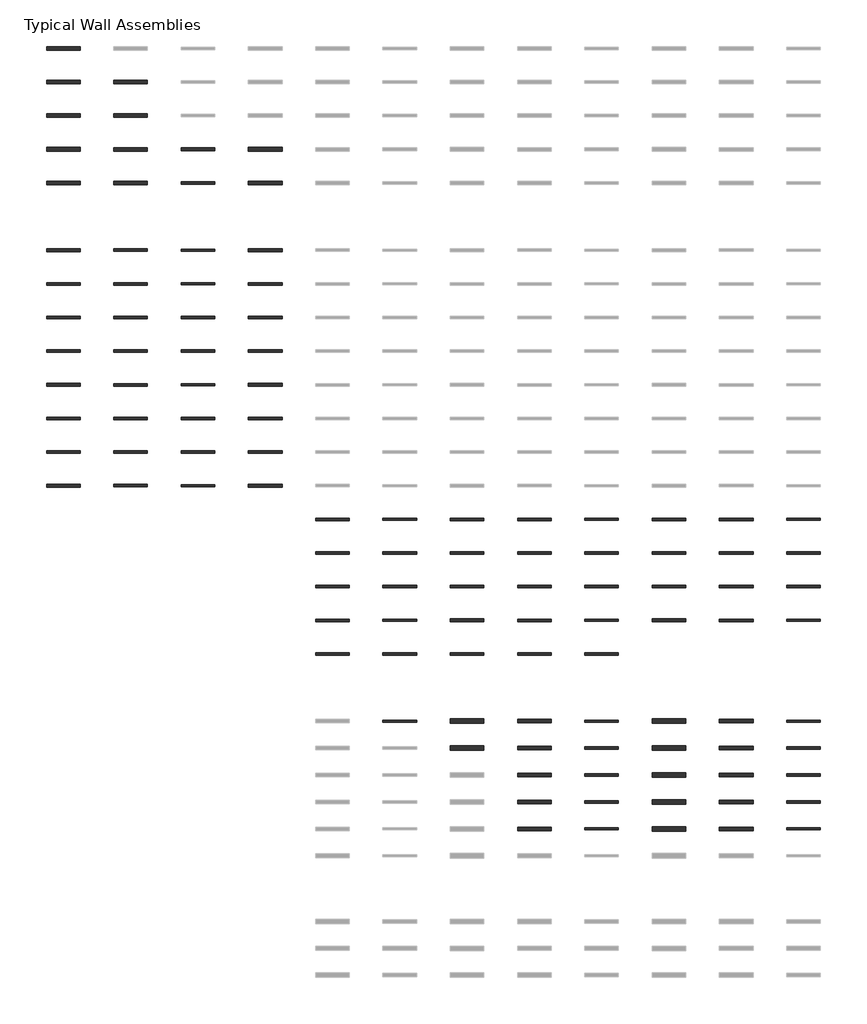
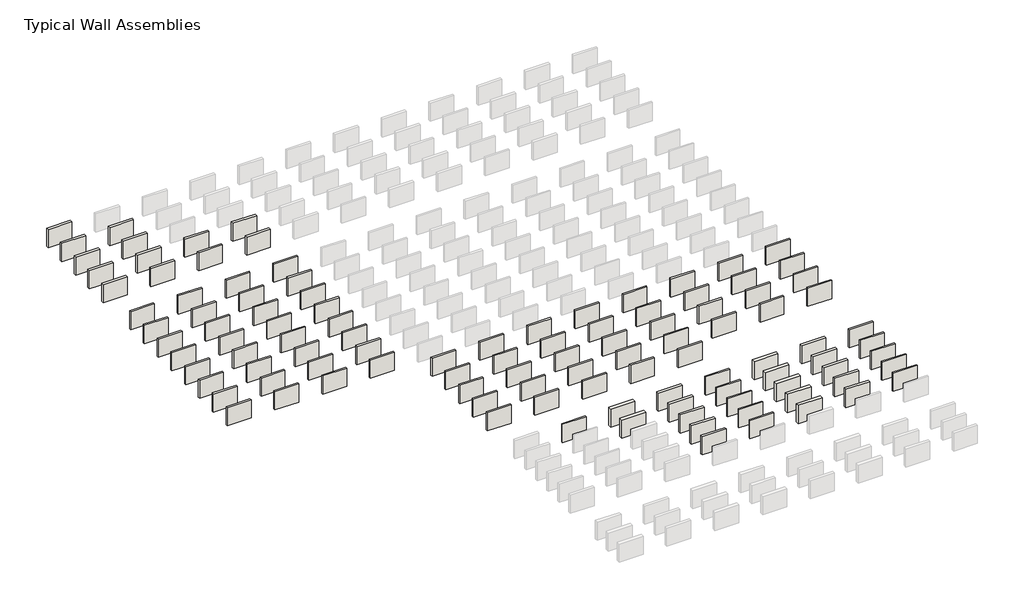
# One storey, part 7 of 8: 110 walls.
"""IFC4 building model written with IfcOpenShell, lengths in millimetres."""

from ifc_helpers import new_model, si_unit, frame, origin, place, context, project, spatial, polyline, outline, extrude, element, save

model = new_model("IFC4")

# Units and contexts
model_context = context("Model", 3, world=origin())
ifc_project = project(units=[si_unit("LENGTHUNIT", "METRE", prefix="MILLI")], contexts=[model_context])

# Site, building, storey
site = spatial("IfcSite", under=ifc_project)
building = spatial("IfcBuilding", under=site)
storey = spatial("IfcBuildingStorey", under=building, Name="Typical Wall Assemblies", Elevation=6096.0)

# Walls
placement = place(None, origin())
element("IfcWall", 1, at=placement, inside=storey, context=model_context, shape_type="SweptSolid", body=[
    extrude(outline(polyline([(-21027.125069, 40670.2782429), (-24075.125069, 40670.2782429), (-24075.125069, 40998.8907521), (-21027.125069, 40998.8907521), (-21027.125069, 40670.2782429)])), frame((0.0, 0.0, 6096.0), z_axis=(0.0, 0.0, 1.0), x_axis=(1.0, 0.0, 0.0)), (0.0, 0.0, 1.0), 2438.4),
])
element("IfcWall", 2, at=placement, inside=storey, context=model_context, shape_type="SweptSolid", body=[
    extrude(outline(polyline([(-21027.125069, 37622.2782429), (-24075.125069, 37622.2782429), (-24075.125069, 37950.8907521), (-21027.125069, 37950.8907521), (-21027.125069, 37622.2782429)])), frame((0.0, 0.0, 6096.0), z_axis=(0.0, 0.0, 1.0), x_axis=(1.0, 0.0, 0.0)), (0.0, 0.0, 1.0), 2438.4),
])
element("IfcWall", 3, at=placement, inside=storey, context=model_context, shape_type="SweptSolid", body=[
    extrude(outline(polyline([(-14931.125069, 37627.0407429), (-17979.125069, 37627.0407429), (-17979.125069, 37946.1282521), (-14931.125069, 37946.1282521), (-14931.125069, 37627.0407429)])), frame((0.0, 0.0, 6096.0), z_axis=(0.0, 0.0, 1.0), x_axis=(1.0, 0.0, 0.0)), (0.0, 0.0, 1.0), 2438.4),
])
element("IfcWall", 4, at=placement, inside=storey, context=model_context, shape_type="SweptSolid", body=[
    extrude(outline(polyline([(-21027.125069, 34574.2782429), (-24075.125069, 34574.2782429), (-24075.125069, 34902.8907521), (-21027.125069, 34902.8907521), (-21027.125069, 34574.2782429)])), frame((0.0, 0.0, 6096.0), z_axis=(0.0, 0.0, 1.0), x_axis=(1.0, 0.0, 0.0)), (0.0, 0.0, 1.0), 2438.4),
])
element("IfcWall", 5, at=placement, inside=storey, context=model_context, shape_type="SweptSolid", body=[
    extrude(outline(polyline([(-14931.125069, 34579.0407429), (-17979.125069, 34579.0407429), (-17979.125069, 34898.1282521), (-14931.125069, 34898.1282521), (-14931.125069, 34579.0407429)])), frame((0.0, 0.0, 6096.0), z_axis=(0.0, 0.0, 1.0), x_axis=(1.0, 0.0, 0.0)), (0.0, 0.0, 1.0), 2438.4),
])
element("IfcWall", 6, at=placement, inside=storey, context=model_context, shape_type="SweptSolid", body=[
    extrude(outline(polyline([(-21027.125069, 31526.2782429), (-24075.125069, 31526.2782429), (-24075.125069, 31854.8907521), (-21027.125069, 31854.8907521), (-21027.125069, 31526.2782429)])), frame((0.0, 0.0, 6096.0), z_axis=(0.0, 0.0, 1.0), x_axis=(1.0, 0.0, 0.0)), (0.0, 0.0, 1.0), 2438.4),
])
element("IfcWall", 7, at=placement, inside=storey, context=model_context, shape_type="SweptSolid", body=[
    extrude(outline(polyline([(-14931.125069, 31531.0407429), (-17979.125069, 31531.0407429), (-17979.125069, 31850.1282521), (-14931.125069, 31850.1282521), (-14931.125069, 31531.0407429)])), frame((0.0, 0.0, 6096.0), z_axis=(0.0, 0.0, 1.0), x_axis=(1.0, 0.0, 0.0)), (0.0, 0.0, 1.0), 2438.4),
])
element("IfcWall", 8, at=placement, inside=storey, context=model_context, shape_type="SweptSolid", body=[
    extrude(outline(polyline([(-8835.125069, 31569.9344947), (-11883.125069, 31569.9344947), (-11883.125069, 31811.2345002), (-8835.125069, 31811.2345002), (-8835.125069, 31569.9344947)])), frame((0.0, 0.0, 6096.0), z_axis=(0.0, 0.0, 1.0), x_axis=(1.0, 0.0, 0.0)), (0.0, 0.0, 1.0), 2438.4),
])
element("IfcWall", 9, at=placement, inside=storey, context=model_context, shape_type="SweptSolid", body=[
    extrude(outline(polyline([(-2739.125069, 31526.2782429), (-5787.125069, 31526.2782429), (-5787.125069, 31854.8907521), (-2739.125069, 31854.8907521), (-2739.125069, 31526.2782429)])), frame((0.0, 0.0, 6096.0), z_axis=(0.0, 0.0, 1.0), x_axis=(1.0, 0.0, 0.0)), (0.0, 0.0, 1.0), 2438.4),
])
element("IfcWall", 10, at=placement, inside=storey, context=model_context, shape_type="SweptSolid", body=[
    extrude(outline(polyline([(-21027.125069, 28478.2782429), (-24075.125069, 28478.2782429), (-24075.125069, 28806.8907521), (-21027.125069, 28806.8907521), (-21027.125069, 28478.2782429)])), frame((0.0, 0.0, 6096.0), z_axis=(0.0, 0.0, 1.0), x_axis=(1.0, 0.0, 0.0)), (0.0, 0.0, 1.0), 2438.4),
])
element("IfcWall", 11, at=placement, inside=storey, context=model_context, shape_type="SweptSolid", body=[
    extrude(outline(polyline([(-14931.125069, 28483.0407429), (-17979.125069, 28483.0407429), (-17979.125069, 28802.1282521), (-14931.125069, 28802.1282521), (-14931.125069, 28483.0407429)])), frame((0.0, 0.0, 6096.0), z_axis=(0.0, 0.0, 1.0), x_axis=(1.0, 0.0, 0.0)), (0.0, 0.0, 1.0), 2438.4),
])
element("IfcWall", 12, at=placement, inside=storey, context=model_context, shape_type="SweptSolid", body=[
    extrude(outline(polyline([(-8835.125069, 28521.9344947), (-11883.125069, 28521.9344947), (-11883.125069, 28763.2345002), (-8835.125069, 28763.2345002), (-8835.125069, 28521.9344947)])), frame((0.0, 0.0, 6096.0), z_axis=(0.0, 0.0, 1.0), x_axis=(1.0, 0.0, 0.0)), (0.0, 0.0, 1.0), 2438.4),
])
element("IfcWall", 13, at=placement, inside=storey, context=model_context, shape_type="SweptSolid", body=[
    extrude(outline(polyline([(-2739.125069, 28478.2782429), (-5787.125069, 28478.2782429), (-5787.125069, 28806.8907521), (-2739.125069, 28806.8907521), (-2739.125069, 28478.2782429)])), frame((0.0, 0.0, 6096.0), z_axis=(0.0, 0.0, 1.0), x_axis=(1.0, 0.0, 0.0)), (0.0, 0.0, 1.0), 2438.4),
])
element("IfcWall", 14, at=placement, inside=storey, context=model_context, shape_type="SweptSolid", body=[
    extrude(outline(polyline([(-21027.125069, 22428.3157439), (-24075.125069, 22428.3157439), (-24075.125069, 22664.853251), (-21027.125069, 22664.853251), (-21027.125069, 22428.3157439)])), frame((0.0, 0.0, 6096.0), z_axis=(0.0, 0.0, 1.0), x_axis=(1.0, 0.0, 0.0)), (0.0, 0.0, 1.0), 2438.4),
])
element("IfcWall", 15, at=placement, inside=storey, context=model_context, shape_type="SweptSolid", body=[
    extrude(outline(polyline([(-14931.125069, 22433.0782439), (-17979.125069, 22433.0782439), (-17979.125069, 22660.090751), (-14931.125069, 22660.090751), (-14931.125069, 22433.0782439)])), frame((0.0, 0.0, 6096.0), z_axis=(0.0, 0.0, 1.0), x_axis=(1.0, 0.0, 0.0)), (0.0, 0.0, 1.0), 2438.4),
])
element("IfcWall", 16, at=placement, inside=storey, context=model_context, shape_type="SweptSolid", body=[
    extrude(outline(polyline([(-8835.125069, 22443.396995), (-11883.125069, 22443.396995), (-11883.125069, 22649.772), (-8835.125069, 22649.772), (-8835.125069, 22443.396995)])), frame((0.0, 0.0, 6096.0), z_axis=(0.0, 0.0, 1.0), x_axis=(1.0, 0.0, 0.0)), (0.0, 0.0, 1.0), 2438.4),
])
element("IfcWall", 17, at=placement, inside=storey, context=model_context, shape_type="SweptSolid", body=[
    extrude(outline(polyline([(-2739.125069, 22428.3157439), (-5787.125069, 22428.3157439), (-5787.125069, 22664.853251), (-2739.125069, 22664.853251), (-2739.125069, 22428.3157439)])), frame((0.0, 0.0, 6096.0), z_axis=(0.0, 0.0, 1.0), x_axis=(1.0, 0.0, 0.0)), (0.0, 0.0, 1.0), 2438.4),
])
element("IfcWall", 18, at=placement, inside=storey, context=model_context, shape_type="SweptSolid", body=[
    extrude(outline(polyline([(-21027.125069, 19380.3157439), (-24075.125069, 19380.3157439), (-24075.125069, 19616.853251), (-21027.125069, 19616.853251), (-21027.125069, 19380.3157439)])), frame((0.0, 0.0, 6096.0), z_axis=(0.0, 0.0, 1.0), x_axis=(1.0, 0.0, 0.0)), (0.0, 0.0, 1.0), 2438.4),
])
element("IfcWall", 19, at=placement, inside=storey, context=model_context, shape_type="SweptSolid", body=[
    extrude(outline(polyline([(-14931.125069, 19385.0782439), (-17979.125069, 19385.0782439), (-17979.125069, 19612.090751), (-14931.125069, 19612.090751), (-14931.125069, 19385.0782439)])), frame((0.0, 0.0, 6096.0), z_axis=(0.0, 0.0, 1.0), x_axis=(1.0, 0.0, 0.0)), (0.0, 0.0, 1.0), 2438.4),
])
element("IfcWall", 20, at=placement, inside=storey, context=model_context, shape_type="SweptSolid", body=[
    extrude(outline(polyline([(-8835.125069, 19395.396995), (-11883.125069, 19395.396995), (-11883.125069, 19601.772), (-8835.125069, 19601.772), (-8835.125069, 19395.396995)])), frame((0.0, 0.0, 6096.0), z_axis=(0.0, 0.0, 1.0), x_axis=(1.0, 0.0, 0.0)), (0.0, 0.0, 1.0), 2438.4),
])
element("IfcWall", 21, at=placement, inside=storey, context=model_context, shape_type="SweptSolid", body=[
    extrude(outline(polyline([(-2739.125069, 19380.3157439), (-5787.125069, 19380.3157439), (-5787.125069, 19616.853251), (-2739.125069, 19616.853251), (-2739.125069, 19380.3157439)])), frame((0.0, 0.0, 6096.0), z_axis=(0.0, 0.0, 1.0), x_axis=(1.0, 0.0, 0.0)), (0.0, 0.0, 1.0), 2438.4),
])
element("IfcWall", 22, at=placement, inside=storey, context=model_context, shape_type="SweptSolid", body=[
    extrude(outline(polyline([(-21027.125069, 16332.3157439), (-24075.125069, 16332.3157439), (-24075.125069, 16568.853251), (-21027.125069, 16568.853251), (-21027.125069, 16332.3157439)])), frame((0.0, 0.0, 6096.0), z_axis=(0.0, 0.0, 1.0), x_axis=(1.0, 0.0, 0.0)), (0.0, 0.0, 1.0), 2438.4),
])
element("IfcWall", 23, at=placement, inside=storey, context=model_context, shape_type="SweptSolid", body=[
    extrude(outline(polyline([(-14931.125069, 16337.0782439), (-17979.125069, 16337.0782439), (-17979.125069, 16564.090751), (-14931.125069, 16564.090751), (-14931.125069, 16337.0782439)])), frame((0.0, 0.0, 6096.0), z_axis=(0.0, 0.0, 1.0), x_axis=(1.0, 0.0, 0.0)), (0.0, 0.0, 1.0), 2438.4),
])
element("IfcWall", 24, at=placement, inside=storey, context=model_context, shape_type="SweptSolid", body=[
    extrude(outline(polyline([(-8835.125069, 16347.396995), (-11883.125069, 16347.396995), (-11883.125069, 16553.772), (-8835.125069, 16553.772), (-8835.125069, 16347.396995)])), frame((0.0, 0.0, 6096.0), z_axis=(0.0, 0.0, 1.0), x_axis=(1.0, 0.0, 0.0)), (0.0, 0.0, 1.0), 2438.4),
])
element("IfcWall", 25, at=placement, inside=storey, context=model_context, shape_type="SweptSolid", body=[
    extrude(outline(polyline([(-2739.125069, 16332.3157439), (-5787.125069, 16332.3157439), (-5787.125069, 16568.853251), (-2739.125069, 16568.853251), (-2739.125069, 16332.3157439)])), frame((0.0, 0.0, 6096.0), z_axis=(0.0, 0.0, 1.0), x_axis=(1.0, 0.0, 0.0)), (0.0, 0.0, 1.0), 2438.4),
])
element("IfcWall", 26, at=placement, inside=storey, context=model_context, shape_type="SweptSolid", body=[
    extrude(outline(polyline([(-21027.125069, 13284.3157439), (-24075.125069, 13284.3157439), (-24075.125069, 13520.853251), (-21027.125069, 13520.853251), (-21027.125069, 13284.3157439)])), frame((0.0, 0.0, 6096.0), z_axis=(0.0, 0.0, 1.0), x_axis=(1.0, 0.0, 0.0)), (0.0, 0.0, 1.0), 2438.4),
])
element("IfcWall", 27, at=placement, inside=storey, context=model_context, shape_type="SweptSolid", body=[
    extrude(outline(polyline([(-14931.125069, 13289.0782439), (-17979.125069, 13289.0782439), (-17979.125069, 13516.090751), (-14931.125069, 13516.090751), (-14931.125069, 13289.0782439)])), frame((0.0, 0.0, 6096.0), z_axis=(0.0, 0.0, 1.0), x_axis=(1.0, 0.0, 0.0)), (0.0, 0.0, 1.0), 2438.4),
])
element("IfcWall", 28, at=placement, inside=storey, context=model_context, shape_type="SweptSolid", body=[
    extrude(outline(polyline([(-8835.125069, 13299.396995), (-11883.125069, 13299.396995), (-11883.125069, 13505.772), (-8835.125069, 13505.772), (-8835.125069, 13299.396995)])), frame((0.0, 0.0, 6096.0), z_axis=(0.0, 0.0, 1.0), x_axis=(1.0, 0.0, 0.0)), (0.0, 0.0, 1.0), 2438.4),
])
element("IfcWall", 29, at=placement, inside=storey, context=model_context, shape_type="SweptSolid", body=[
    extrude(outline(polyline([(-2739.125069, 13284.3157439), (-5787.125069, 13284.3157439), (-5787.125069, 13520.853251), (-2739.125069, 13520.853251), (-2739.125069, 13284.3157439)])), frame((0.0, 0.0, 6096.0), z_axis=(0.0, 0.0, 1.0), x_axis=(1.0, 0.0, 0.0)), (0.0, 0.0, 1.0), 2438.4),
])
element("IfcWall", 30, at=placement, inside=storey, context=model_context, shape_type="SweptSolid", body=[
    extrude(outline(polyline([(-21027.125069, 10236.3157439), (-24075.125069, 10236.3157439), (-24075.125069, 10472.853251), (-21027.125069, 10472.853251), (-21027.125069, 10236.3157439)])), frame((0.0, 0.0, 6096.0), z_axis=(0.0, 0.0, 1.0), x_axis=(1.0, 0.0, 0.0)), (0.0, 0.0, 1.0), 2438.4),
])
element("IfcWall", 31, at=placement, inside=storey, context=model_context, shape_type="SweptSolid", body=[
    extrude(outline(polyline([(-14931.125069, 10241.0782439), (-17979.125069, 10241.0782439), (-17979.125069, 10468.090751), (-14931.125069, 10468.090751), (-14931.125069, 10241.0782439)])), frame((0.0, 0.0, 6096.0), z_axis=(0.0, 0.0, 1.0), x_axis=(1.0, 0.0, 0.0)), (0.0, 0.0, 1.0), 2438.4),
])
element("IfcWall", 32, at=placement, inside=storey, context=model_context, shape_type="SweptSolid", body=[
    extrude(outline(polyline([(-8835.125069, 10251.396995), (-11883.125069, 10251.396995), (-11883.125069, 10457.772), (-8835.125069, 10457.772), (-8835.125069, 10251.396995)])), frame((0.0, 0.0, 6096.0), z_axis=(0.0, 0.0, 1.0), x_axis=(1.0, 0.0, 0.0)), (0.0, 0.0, 1.0), 2438.4),
])
element("IfcWall", 33, at=placement, inside=storey, context=model_context, shape_type="SweptSolid", body=[
    extrude(outline(polyline([(-2739.125069, 10236.3157439), (-5787.125069, 10236.3157439), (-5787.125069, 10472.853251), (-2739.125069, 10472.853251), (-2739.125069, 10236.3157439)])), frame((0.0, 0.0, 6096.0), z_axis=(0.0, 0.0, 1.0), x_axis=(1.0, 0.0, 0.0)), (0.0, 0.0, 1.0), 2438.4),
])
element("IfcWall", 34, at=placement, inside=storey, context=model_context, shape_type="SweptSolid", body=[
    extrude(outline(polyline([(-21027.125069, 7188.3157439), (-24075.125069, 7188.3157439), (-24075.125069, 7424.853251), (-21027.125069, 7424.853251), (-21027.125069, 7188.3157439)])), frame((0.0, 0.0, 6096.0), z_axis=(0.0, 0.0, 1.0), x_axis=(1.0, 0.0, 0.0)), (0.0, 0.0, 1.0), 2438.4),
])
element("IfcWall", 35, at=placement, inside=storey, context=model_context, shape_type="SweptSolid", body=[
    extrude(outline(polyline([(-14931.125069, 7193.0782439), (-17979.125069, 7193.0782439), (-17979.125069, 7420.090751), (-14931.125069, 7420.090751), (-14931.125069, 7193.0782439)])), frame((0.0, 0.0, 6096.0), z_axis=(0.0, 0.0, 1.0), x_axis=(1.0, 0.0, 0.0)), (0.0, 0.0, 1.0), 2438.4),
])
element("IfcWall", 36, at=placement, inside=storey, context=model_context, shape_type="SweptSolid", body=[
    extrude(outline(polyline([(-8835.125069, 7203.396995), (-11883.125069, 7203.396995), (-11883.125069, 7409.772), (-8835.125069, 7409.772), (-8835.125069, 7203.396995)])), frame((0.0, 0.0, 6096.0), z_axis=(0.0, 0.0, 1.0), x_axis=(1.0, 0.0, 0.0)), (0.0, 0.0, 1.0), 2438.4),
])
element("IfcWall", 37, at=placement, inside=storey, context=model_context, shape_type="SweptSolid", body=[
    extrude(outline(polyline([(-2739.125069, 7188.3157439), (-5787.125069, 7188.3157439), (-5787.125069, 7424.853251), (-2739.125069, 7424.853251), (-2739.125069, 7188.3157439)])), frame((0.0, 0.0, 6096.0), z_axis=(0.0, 0.0, 1.0), x_axis=(1.0, 0.0, 0.0)), (0.0, 0.0, 1.0), 2438.4),
])
element("IfcWall", 38, at=placement, inside=storey, context=model_context, shape_type="SweptSolid", body=[
    extrude(outline(polyline([(-21027.125069, 4140.3157439), (-24075.125069, 4140.3157439), (-24075.125069, 4376.853251), (-21027.125069, 4376.853251), (-21027.125069, 4140.3157439)])), frame((0.0, 0.0, 6096.0), z_axis=(0.0, 0.0, 1.0), x_axis=(1.0, 0.0, 0.0)), (0.0, 0.0, 1.0), 2438.4),
])
element("IfcWall", 39, at=placement, inside=storey, context=model_context, shape_type="SweptSolid", body=[
    extrude(outline(polyline([(-14931.125069, 4145.0782439), (-17979.125069, 4145.0782439), (-17979.125069, 4372.090751), (-14931.125069, 4372.090751), (-14931.125069, 4145.0782439)])), frame((0.0, 0.0, 6096.0), z_axis=(0.0, 0.0, 1.0), x_axis=(1.0, 0.0, 0.0)), (0.0, 0.0, 1.0), 2438.4),
])
element("IfcWall", 40, at=placement, inside=storey, context=model_context, shape_type="SweptSolid", body=[
    extrude(outline(polyline([(-8835.125069, 4155.396995), (-11883.125069, 4155.396995), (-11883.125069, 4361.772), (-8835.125069, 4361.772), (-8835.125069, 4155.396995)])), frame((0.0, 0.0, 6096.0), z_axis=(0.0, 0.0, 1.0), x_axis=(1.0, 0.0, 0.0)), (0.0, 0.0, 1.0), 2438.4),
])
element("IfcWall", 41, at=placement, inside=storey, context=model_context, shape_type="SweptSolid", body=[
    extrude(outline(polyline([(-2739.125069, 4140.3157439), (-5787.125069, 4140.3157439), (-5787.125069, 4376.853251), (-2739.125069, 4376.853251), (-2739.125069, 4140.3157439)])), frame((0.0, 0.0, 6096.0), z_axis=(0.0, 0.0, 1.0), x_axis=(1.0, 0.0, 0.0)), (0.0, 0.0, 1.0), 2438.4),
])
element("IfcWall", 42, at=placement, inside=storey, context=model_context, shape_type="SweptSolid", body=[
    extrude(outline(polyline([(-21027.125069, 1092.3157439), (-24075.125069, 1092.3157439), (-24075.125069, 1328.853251), (-21027.125069, 1328.853251), (-21027.125069, 1092.3157439)])), frame((0.0, 0.0, 6096.0), z_axis=(0.0, 0.0, 1.0), x_axis=(1.0, 0.0, 0.0)), (0.0, 0.0, 1.0), 2438.4),
])
element("IfcWall", 43, at=placement, inside=storey, context=model_context, shape_type="SweptSolid", body=[
    extrude(outline(polyline([(-14931.125069, 1097.0782439), (-17979.125069, 1097.0782439), (-17979.125069, 1324.090751), (-14931.125069, 1324.090751), (-14931.125069, 1097.0782439)])), frame((0.0, 0.0, 6096.0), z_axis=(0.0, 0.0, 1.0), x_axis=(1.0, 0.0, 0.0)), (0.0, 0.0, 1.0), 2438.4),
])
element("IfcWall", 44, at=placement, inside=storey, context=model_context, shape_type="SweptSolid", body=[
    extrude(outline(polyline([(-8835.125069, 1107.396995), (-11883.125069, 1107.396995), (-11883.125069, 1313.772), (-8835.125069, 1313.772), (-8835.125069, 1107.396995)])), frame((0.0, 0.0, 6096.0), z_axis=(0.0, 0.0, 1.0), x_axis=(1.0, 0.0, 0.0)), (0.0, 0.0, 1.0), 2438.4),
])
element("IfcWall", 45, at=placement, inside=storey, context=model_context, shape_type="SweptSolid", body=[
    extrude(outline(polyline([(-2739.125069, 1092.3157439), (-5787.125069, 1092.3157439), (-5787.125069, 1328.853251), (-2739.125069, 1328.853251), (-2739.125069, 1092.3157439)])), frame((0.0, 0.0, 6096.0), z_axis=(0.0, 0.0, 1.0), x_axis=(1.0, 0.0, 0.0)), (0.0, 0.0, 1.0), 2438.4),
])
element("IfcWall", 46, at=placement, inside=storey, context=model_context, shape_type="SweptSolid", body=[
    extrude(outline(polyline([(3356.874931, -1950.9217561), (308.874931, -1950.9217561), (308.874931, -1723.909249), (3356.874931, -1723.909249), (3356.874931, -1950.9217561)])), frame((0.0, 0.0, 6096.0), z_axis=(0.0, 0.0, 1.0), x_axis=(1.0, 0.0, 0.0)), (0.0, 0.0, 1.0), 2438.4),
])
element("IfcWall", 47, at=placement, inside=storey, context=model_context, shape_type="SweptSolid", body=[
    extrude(outline(polyline([(9452.874931, -1940.603005), (6404.874931, -1940.603005), (6404.874931, -1734.228), (9452.874931, -1734.228), (9452.874931, -1940.603005)])), frame((0.0, 0.0, 6096.0), z_axis=(0.0, 0.0, 1.0), x_axis=(1.0, 0.0, 0.0)), (0.0, 0.0, 1.0), 2438.4),
])
element("IfcWall", 48, at=placement, inside=storey, context=model_context, shape_type="SweptSolid", body=[
    extrude(outline(polyline([(15548.874931, -1955.6842561), (12500.874931, -1955.6842561), (12500.874931, -1719.146749), (15548.874931, -1719.146749), (15548.874931, -1955.6842561)])), frame((0.0, 0.0, 6096.0), z_axis=(0.0, 0.0, 1.0), x_axis=(1.0, 0.0, 0.0)), (0.0, 0.0, 1.0), 2438.4),
])
element("IfcWall", 49, at=placement, inside=storey, context=model_context, shape_type="SweptSolid", body=[
    extrude(outline(polyline([(21644.874931, -1950.9217561), (18596.874931, -1950.9217561), (18596.874931, -1723.909249), (21644.874931, -1723.909249), (21644.874931, -1950.9217561)])), frame((0.0, 0.0, 6096.0), z_axis=(0.0, 0.0, 1.0), x_axis=(1.0, 0.0, 0.0)), (0.0, 0.0, 1.0), 2438.4),
])
element("IfcWall", 50, at=placement, inside=storey, context=model_context, shape_type="SweptSolid", body=[
    extrude(outline(polyline([(27740.874931, -1940.603005), (24692.874931, -1940.603005), (24692.874931, -1734.228), (27740.874931, -1734.228), (27740.874931, -1940.603005)])), frame((0.0, 0.0, 6096.0), z_axis=(0.0, 0.0, 1.0), x_axis=(1.0, 0.0, 0.0)), (0.0, 0.0, 1.0), 2438.4),
])
element("IfcWall", 51, at=placement, inside=storey, context=model_context, shape_type="SweptSolid", body=[
    extrude(outline(polyline([(33836.874931, -1955.6842561), (30788.874931, -1955.6842561), (30788.874931, -1719.146749), (33836.874931, -1719.146749), (33836.874931, -1955.6842561)])), frame((0.0, 0.0, 6096.0), z_axis=(0.0, 0.0, 1.0), x_axis=(1.0, 0.0, 0.0)), (0.0, 0.0, 1.0), 2438.4),
])
element("IfcWall", 52, at=placement, inside=storey, context=model_context, shape_type="SweptSolid", body=[
    extrude(outline(polyline([(39932.874931, -1950.9217561), (36884.874931, -1950.9217561), (36884.874931, -1723.909249), (39932.874931, -1723.909249), (39932.874931, -1950.9217561)])), frame((0.0, 0.0, 6096.0), z_axis=(0.0, 0.0, 1.0), x_axis=(1.0, 0.0, 0.0)), (0.0, 0.0, 1.0), 2438.4),
])
element("IfcWall", 53, at=placement, inside=storey, context=model_context, shape_type="SweptSolid", body=[
    extrude(outline(polyline([(46028.874931, -1940.603005), (42980.874931, -1940.603005), (42980.874931, -1734.228), (46028.874931, -1734.228), (46028.874931, -1940.603005)])), frame((0.0, 0.0, 6096.0), z_axis=(0.0, 0.0, 1.0), x_axis=(1.0, 0.0, 0.0)), (0.0, 0.0, 1.0), 2438.4),
])
element("IfcWall", 54, at=placement, inside=storey, context=model_context, shape_type="SweptSolid", body=[
    extrude(outline(polyline([(3356.874931, -4998.9217561), (308.874931, -4998.9217561), (308.874931, -4771.909249), (3356.874931, -4771.909249), (3356.874931, -4998.9217561)])), frame((0.0, 0.0, 6096.0), z_axis=(0.0, 0.0, 1.0), x_axis=(1.0, 0.0, 0.0)), (0.0, 0.0, 1.0), 2438.4),
])
element("IfcWall", 55, at=placement, inside=storey, context=model_context, shape_type="SweptSolid", body=[
    extrude(outline(polyline([(9452.874931, -4988.603005), (6404.874931, -4988.603005), (6404.874931, -4782.228), (9452.874931, -4782.228), (9452.874931, -4988.603005)])), frame((0.0, 0.0, 6096.0), z_axis=(0.0, 0.0, 1.0), x_axis=(1.0, 0.0, 0.0)), (0.0, 0.0, 1.0), 2438.4),
])
element("IfcWall", 56, at=placement, inside=storey, context=model_context, shape_type="SweptSolid", body=[
    extrude(outline(polyline([(15548.874931, -5003.6842561), (12500.874931, -5003.6842561), (12500.874931, -4767.146749), (15548.874931, -4767.146749), (15548.874931, -5003.6842561)])), frame((0.0, 0.0, 6096.0), z_axis=(0.0, 0.0, 1.0), x_axis=(1.0, 0.0, 0.0)), (0.0, 0.0, 1.0), 2438.4),
])
element("IfcWall", 57, at=placement, inside=storey, context=model_context, shape_type="SweptSolid", body=[
    extrude(outline(polyline([(21644.874931, -4998.9217561), (18596.874931, -4998.9217561), (18596.874931, -4771.909249), (21644.874931, -4771.909249), (21644.874931, -4998.9217561)])), frame((0.0, 0.0, 6096.0), z_axis=(0.0, 0.0, 1.0), x_axis=(1.0, 0.0, 0.0)), (0.0, 0.0, 1.0), 2438.4),
])
element("IfcWall", 58, at=placement, inside=storey, context=model_context, shape_type="SweptSolid", body=[
    extrude(outline(polyline([(27740.874931, -4988.603005), (24692.874931, -4988.603005), (24692.874931, -4782.228), (27740.874931, -4782.228), (27740.874931, -4988.603005)])), frame((0.0, 0.0, 6096.0), z_axis=(0.0, 0.0, 1.0), x_axis=(1.0, 0.0, 0.0)), (0.0, 0.0, 1.0), 2438.4),
])
element("IfcWall", 59, at=placement, inside=storey, context=model_context, shape_type="SweptSolid", body=[
    extrude(outline(polyline([(33836.874931, -5003.6842561), (30788.874931, -5003.6842561), (30788.874931, -4767.146749), (33836.874931, -4767.146749), (33836.874931, -5003.6842561)])), frame((0.0, 0.0, 6096.0), z_axis=(0.0, 0.0, 1.0), x_axis=(1.0, 0.0, 0.0)), (0.0, 0.0, 1.0), 2438.4),
])
element("IfcWall", 60, at=placement, inside=storey, context=model_context, shape_type="SweptSolid", body=[
    extrude(outline(polyline([(39932.874931, -4998.9217561), (36884.874931, -4998.9217561), (36884.874931, -4771.909249), (39932.874931, -4771.909249), (39932.874931, -4998.9217561)])), frame((0.0, 0.0, 6096.0), z_axis=(0.0, 0.0, 1.0), x_axis=(1.0, 0.0, 0.0)), (0.0, 0.0, 1.0), 2438.4),
])
element("IfcWall", 61, at=placement, inside=storey, context=model_context, shape_type="SweptSolid", body=[
    extrude(outline(polyline([(46028.874931, -4988.603005), (42980.874931, -4988.603005), (42980.874931, -4782.228), (46028.874931, -4782.228), (46028.874931, -4988.603005)])), frame((0.0, 0.0, 6096.0), z_axis=(0.0, 0.0, 1.0), x_axis=(1.0, 0.0, 0.0)), (0.0, 0.0, 1.0), 2438.4),
])
element("IfcWall", 62, at=placement, inside=storey, context=model_context, shape_type="SweptSolid", body=[
    extrude(outline(polyline([(3356.874931, -8046.9217561), (308.874931, -8046.9217561), (308.874931, -7819.909249), (3356.874931, -7819.909249), (3356.874931, -8046.9217561)])), frame((0.0, 0.0, 6096.0), z_axis=(0.0, 0.0, 1.0), x_axis=(1.0, 0.0, 0.0)), (0.0, 0.0, 1.0), 2438.4),
])
element("IfcWall", 63, at=placement, inside=storey, context=model_context, shape_type="SweptSolid", body=[
    extrude(outline(polyline([(9452.874931, -8036.603005), (6404.874931, -8036.603005), (6404.874931, -7830.228), (9452.874931, -7830.228), (9452.874931, -8036.603005)])), frame((0.0, 0.0, 6096.0), z_axis=(0.0, 0.0, 1.0), x_axis=(1.0, 0.0, 0.0)), (0.0, 0.0, 1.0), 2438.4),
])
element("IfcWall", 64, at=placement, inside=storey, context=model_context, shape_type="SweptSolid", body=[
    extrude(outline(polyline([(15548.874931, -8051.6842561), (12500.874931, -8051.6842561), (12500.874931, -7815.146749), (15548.874931, -7815.146749), (15548.874931, -8051.6842561)])), frame((0.0, 0.0, 6096.0), z_axis=(0.0, 0.0, 1.0), x_axis=(1.0, 0.0, 0.0)), (0.0, 0.0, 1.0), 2438.4),
])
element("IfcWall", 65, at=placement, inside=storey, context=model_context, shape_type="SweptSolid", body=[
    extrude(outline(polyline([(21644.874931, -8046.9217561), (18596.874931, -8046.9217561), (18596.874931, -7819.909249), (21644.874931, -7819.909249), (21644.874931, -8046.9217561)])), frame((0.0, 0.0, 6096.0), z_axis=(0.0, 0.0, 1.0), x_axis=(1.0, 0.0, 0.0)), (0.0, 0.0, 1.0), 2438.4),
])
element("IfcWall", 66, at=placement, inside=storey, context=model_context, shape_type="SweptSolid", body=[
    extrude(outline(polyline([(27740.874931, -8036.603005), (24692.874931, -8036.603005), (24692.874931, -7830.228), (27740.874931, -7830.228), (27740.874931, -8036.603005)])), frame((0.0, 0.0, 6096.0), z_axis=(0.0, 0.0, 1.0), x_axis=(1.0, 0.0, 0.0)), (0.0, 0.0, 1.0), 2438.4),
])
element("IfcWall", 67, at=placement, inside=storey, context=model_context, shape_type="SweptSolid", body=[
    extrude(outline(polyline([(33836.874931, -8051.6842561), (30788.874931, -8051.6842561), (30788.874931, -7815.146749), (33836.874931, -7815.146749), (33836.874931, -8051.6842561)])), frame((0.0, 0.0, 6096.0), z_axis=(0.0, 0.0, 1.0), x_axis=(1.0, 0.0, 0.0)), (0.0, 0.0, 1.0), 2438.4),
])
element("IfcWall", 68, at=placement, inside=storey, context=model_context, shape_type="SweptSolid", body=[
    extrude(outline(polyline([(39932.874931, -8046.9217561), (36884.874931, -8046.9217561), (36884.874931, -7819.909249), (39932.874931, -7819.909249), (39932.874931, -8046.9217561)])), frame((0.0, 0.0, 6096.0), z_axis=(0.0, 0.0, 1.0), x_axis=(1.0, 0.0, 0.0)), (0.0, 0.0, 1.0), 2438.4),
])
element("IfcWall", 69, at=placement, inside=storey, context=model_context, shape_type="SweptSolid", body=[
    extrude(outline(polyline([(46028.874931, -8036.603005), (42980.874931, -8036.603005), (42980.874931, -7830.228), (46028.874931, -7830.228), (46028.874931, -8036.603005)])), frame((0.0, 0.0, 6096.0), z_axis=(0.0, 0.0, 1.0), x_axis=(1.0, 0.0, 0.0)), (0.0, 0.0, 1.0), 2438.4),
])
element("IfcWall", 70, at=placement, inside=storey, context=model_context, shape_type="SweptSolid", body=[
    extrude(outline(polyline([(3356.874931, -11094.9217561), (308.874931, -11094.9217561), (308.874931, -10867.909249), (3356.874931, -10867.909249), (3356.874931, -11094.9217561)])), frame((0.0, 0.0, 6096.0), z_axis=(0.0, 0.0, 1.0), x_axis=(1.0, 0.0, 0.0)), (0.0, 0.0, 1.0), 2438.4),
])
element("IfcWall", 71, at=placement, inside=storey, context=model_context, shape_type="SweptSolid", body=[
    extrude(outline(polyline([(9452.874931, -11084.603005), (6404.874931, -11084.603005), (6404.874931, -10878.228), (9452.874931, -10878.228), (9452.874931, -11084.603005)])), frame((0.0, 0.0, 6096.0), z_axis=(0.0, 0.0, 1.0), x_axis=(1.0, 0.0, 0.0)), (0.0, 0.0, 1.0), 2438.4),
])
element("IfcWall", 72, at=placement, inside=storey, context=model_context, shape_type="SweptSolid", body=[
    extrude(outline(polyline([(15548.874931, -11099.6842561), (12500.874931, -11099.6842561), (12500.874931, -10863.146749), (15548.874931, -10863.146749), (15548.874931, -11099.6842561)])), frame((0.0, 0.0, 6096.0), z_axis=(0.0, 0.0, 1.0), x_axis=(1.0, 0.0, 0.0)), (0.0, 0.0, 1.0), 2438.4),
])
element("IfcWall", 73, at=placement, inside=storey, context=model_context, shape_type="SweptSolid", body=[
    extrude(outline(polyline([(21644.874931, -11094.9217561), (18596.874931, -11094.9217561), (18596.874931, -10867.909249), (21644.874931, -10867.909249), (21644.874931, -11094.9217561)])), frame((0.0, 0.0, 6096.0), z_axis=(0.0, 0.0, 1.0), x_axis=(1.0, 0.0, 0.0)), (0.0, 0.0, 1.0), 2438.4),
])
element("IfcWall", 74, at=placement, inside=storey, context=model_context, shape_type="SweptSolid", body=[
    extrude(outline(polyline([(27740.874931, -11084.603005), (24692.874931, -11084.603005), (24692.874931, -10878.228), (27740.874931, -10878.228), (27740.874931, -11084.603005)])), frame((0.0, 0.0, 6096.0), z_axis=(0.0, 0.0, 1.0), x_axis=(1.0, 0.0, 0.0)), (0.0, 0.0, 1.0), 2438.4),
])
element("IfcWall", 75, at=placement, inside=storey, context=model_context, shape_type="SweptSolid", body=[
    extrude(outline(polyline([(33836.874931, -11099.6842561), (30788.874931, -11099.6842561), (30788.874931, -10863.146749), (33836.874931, -10863.146749), (33836.874931, -11099.6842561)])), frame((0.0, 0.0, 6096.0), z_axis=(0.0, 0.0, 1.0), x_axis=(1.0, 0.0, 0.0)), (0.0, 0.0, 1.0), 2438.4),
])
element("IfcWall", 76, at=placement, inside=storey, context=model_context, shape_type="SweptSolid", body=[
    extrude(outline(polyline([(39932.874931, -11094.9217561), (36884.874931, -11094.9217561), (36884.874931, -10867.909249), (39932.874931, -10867.909249), (39932.874931, -11094.9217561)])), frame((0.0, 0.0, 6096.0), z_axis=(0.0, 0.0, 1.0), x_axis=(1.0, 0.0, 0.0)), (0.0, 0.0, 1.0), 2438.4),
])
element("IfcWall", 77, at=placement, inside=storey, context=model_context, shape_type="SweptSolid", body=[
    extrude(outline(polyline([(46028.874931, -11084.603005), (42980.874931, -11084.603005), (42980.874931, -10878.228), (46028.874931, -10878.228), (46028.874931, -11084.603005)])), frame((0.0, 0.0, 6096.0), z_axis=(0.0, 0.0, 1.0), x_axis=(1.0, 0.0, 0.0)), (0.0, 0.0, 1.0), 2438.4),
])
element("IfcWall", 78, at=placement, inside=storey, context=model_context, shape_type="SweptSolid", body=[
    extrude(outline(polyline([(3356.874931, -14142.9217561), (308.874931, -14142.9217561), (308.874931, -13915.909249), (3356.874931, -13915.909249), (3356.874931, -14142.9217561)])), frame((0.0, 0.0, 6096.0), z_axis=(0.0, 0.0, 1.0), x_axis=(1.0, 0.0, 0.0)), (0.0, 0.0, 1.0), 2438.4),
])
element("IfcWall", 79, at=placement, inside=storey, context=model_context, shape_type="SweptSolid", body=[
    extrude(outline(polyline([(9452.874931, -14132.603005), (6404.874931, -14132.603005), (6404.874931, -13926.228), (9452.874931, -13926.228), (9452.874931, -14132.603005)])), frame((0.0, 0.0, 6096.0), z_axis=(0.0, 0.0, 1.0), x_axis=(1.0, 0.0, 0.0)), (0.0, 0.0, 1.0), 2438.4),
])
element("IfcWall", 80, at=placement, inside=storey, context=model_context, shape_type="SweptSolid", body=[
    extrude(outline(polyline([(15548.874931, -14147.6842561), (12500.874931, -14147.6842561), (12500.874931, -13911.146749), (15548.874931, -13911.146749), (15548.874931, -14147.6842561)])), frame((0.0, 0.0, 6096.0), z_axis=(0.0, 0.0, 1.0), x_axis=(1.0, 0.0, 0.0)), (0.0, 0.0, 1.0), 2438.4),
])
element("IfcWall", 81, at=placement, inside=storey, context=model_context, shape_type="SweptSolid", body=[
    extrude(outline(polyline([(21644.874931, -14142.9217561), (18596.874931, -14142.9217561), (18596.874931, -13915.909249), (21644.874931, -13915.909249), (21644.874931, -14142.9217561)])), frame((0.0, 0.0, 6096.0), z_axis=(0.0, 0.0, 1.0), x_axis=(1.0, 0.0, 0.0)), (0.0, 0.0, 1.0), 2438.4),
])
element("IfcWall", 82, at=placement, inside=storey, context=model_context, shape_type="SweptSolid", body=[
    extrude(outline(polyline([(27740.874931, -14132.603005), (24692.874931, -14132.603005), (24692.874931, -13926.228), (27740.874931, -13926.228), (27740.874931, -14132.603005)])), frame((0.0, 0.0, 6096.0), z_axis=(0.0, 0.0, 1.0), x_axis=(1.0, 0.0, 0.0)), (0.0, 0.0, 1.0), 2438.4),
])
element("IfcWall", 83, at=placement, inside=storey, context=model_context, shape_type="SweptSolid", body=[
    extrude(outline(polyline([(9452.874931, -20227.0155056), (6404.874931, -20227.0155056), (6404.874931, -20023.8154995), (9452.874931, -20023.8154995), (9452.874931, -20227.0155056)])), frame((0.0, 0.0, 6096.0), z_axis=(0.0, 0.0, 1.0), x_axis=(1.0, 0.0, 0.0)), (0.0, 0.0, 1.0), 2438.4),
])
element("IfcWall", 84, at=placement, inside=storey, context=model_context, shape_type="SweptSolid", body=[
    extrude(outline(polyline([(15548.874931, -20330.9967587), (12500.874931, -20330.9967587), (12500.874931, -19919.8342464), (15548.874931, -19919.8342464), (15548.874931, -20330.9967587)])), frame((0.0, 0.0, 6096.0), z_axis=(0.0, 0.0, 1.0), x_axis=(1.0, 0.0, 0.0)), (0.0, 0.0, 1.0), 2438.4),
])
element("IfcWall", 85, at=placement, inside=storey, context=model_context, shape_type="SweptSolid", body=[
    extrude(outline(polyline([(21644.874931, -20287.3405068), (18596.874931, -20287.3405068), (18596.874931, -19963.4904983), (21644.874931, -19963.4904983), (21644.874931, -20287.3405068)])), frame((0.0, 0.0, 6096.0), z_axis=(0.0, 0.0, 1.0), x_axis=(1.0, 0.0, 0.0)), (0.0, 0.0, 1.0), 2438.4),
])
element("IfcWall", 86, at=placement, inside=storey, context=model_context, shape_type="SweptSolid", body=[
    extrude(outline(polyline([(27740.874931, -20227.0155056), (24692.874931, -20227.0155056), (24692.874931, -20023.8154995), (27740.874931, -20023.8154995), (27740.874931, -20227.0155056)])), frame((0.0, 0.0, 6096.0), z_axis=(0.0, 0.0, 1.0), x_axis=(1.0, 0.0, 0.0)), (0.0, 0.0, 1.0), 2438.4),
])
element("IfcWall", 87, at=placement, inside=storey, context=model_context, shape_type="SweptSolid", body=[
    extrude(outline(polyline([(33836.874931, -20330.9967587), (30788.874931, -20330.9967587), (30788.874931, -19919.8342464), (33836.874931, -19919.8342464), (33836.874931, -20330.9967587)])), frame((0.0, 0.0, 6096.0), z_axis=(0.0, 0.0, 1.0), x_axis=(1.0, 0.0, 0.0)), (0.0, 0.0, 1.0), 2438.4),
])
element("IfcWall", 88, at=placement, inside=storey, context=model_context, shape_type="SweptSolid", body=[
    extrude(outline(polyline([(39932.874931, -20287.3405068), (36884.874931, -20287.3405068), (36884.874931, -19963.4904983), (39932.874931, -19963.4904983), (39932.874931, -20287.3405068)])), frame((0.0, 0.0, 6096.0), z_axis=(0.0, 0.0, 1.0), x_axis=(1.0, 0.0, 0.0)), (0.0, 0.0, 1.0), 2438.4),
])
element("IfcWall", 89, at=placement, inside=storey, context=model_context, shape_type="SweptSolid", body=[
    extrude(outline(polyline([(46028.874931, -20227.0155056), (42980.874931, -20227.0155056), (42980.874931, -20023.8154995), (46028.874931, -20023.8154995), (46028.874931, -20227.0155056)])), frame((0.0, 0.0, 6096.0), z_axis=(0.0, 0.0, 1.0), x_axis=(1.0, 0.0, 0.0)), (0.0, 0.0, 1.0), 2438.4),
])
element("IfcWall", 90, at=placement, inside=storey, context=model_context, shape_type="SweptSolid", body=[
    extrude(outline(polyline([(15548.874931, -22769.3967587), (12500.874931, -22769.3967587), (12500.874931, -22358.2342464), (15548.874931, -22358.2342464), (15548.874931, -22769.3967587)])), frame((0.0, 0.0, 6096.0), z_axis=(0.0, 0.0, 1.0), x_axis=(1.0, 0.0, 0.0)), (0.0, 0.0, 1.0), 2438.4),
])
element("IfcWall", 91, at=placement, inside=storey, context=model_context, shape_type="SweptSolid", body=[
    extrude(outline(polyline([(21644.874931, -22725.7405068), (18596.874931, -22725.7405068), (18596.874931, -22401.8904983), (21644.874931, -22401.8904983), (21644.874931, -22725.7405068)])), frame((0.0, 0.0, 6096.0), z_axis=(0.0, 0.0, 1.0), x_axis=(1.0, 0.0, 0.0)), (0.0, 0.0, 1.0), 2438.4),
])
element("IfcWall", 92, at=placement, inside=storey, context=model_context, shape_type="SweptSolid", body=[
    extrude(outline(polyline([(27740.874931, -22665.4155056), (24692.874931, -22665.4155056), (24692.874931, -22462.2154995), (27740.874931, -22462.2154995), (27740.874931, -22665.4155056)])), frame((0.0, 0.0, 6096.0), z_axis=(0.0, 0.0, 1.0), x_axis=(1.0, 0.0, 0.0)), (0.0, 0.0, 1.0), 2438.4),
])
element("IfcWall", 93, at=placement, inside=storey, context=model_context, shape_type="SweptSolid", body=[
    extrude(outline(polyline([(33836.874931, -22769.3967587), (30788.874931, -22769.3967587), (30788.874931, -22358.2342464), (33836.874931, -22358.2342464), (33836.874931, -22769.3967587)])), frame((0.0, 0.0, 6096.0), z_axis=(0.0, 0.0, 1.0), x_axis=(1.0, 0.0, 0.0)), (0.0, 0.0, 1.0), 2438.4),
])
element("IfcWall", 94, at=placement, inside=storey, context=model_context, shape_type="SweptSolid", body=[
    extrude(outline(polyline([(39932.874931, -22725.7405068), (36884.874931, -22725.7405068), (36884.874931, -22401.8904983), (39932.874931, -22401.8904983), (39932.874931, -22725.7405068)])), frame((0.0, 0.0, 6096.0), z_axis=(0.0, 0.0, 1.0), x_axis=(1.0, 0.0, 0.0)), (0.0, 0.0, 1.0), 2438.4),
])
element("IfcWall", 95, at=placement, inside=storey, context=model_context, shape_type="SweptSolid", body=[
    extrude(outline(polyline([(46028.874931, -22665.4155056), (42980.874931, -22665.4155056), (42980.874931, -22462.2154995), (46028.874931, -22462.2154995), (46028.874931, -22665.4155056)])), frame((0.0, 0.0, 6096.0), z_axis=(0.0, 0.0, 1.0), x_axis=(1.0, 0.0, 0.0)), (0.0, 0.0, 1.0), 2438.4),
])
element("IfcWall", 96, at=placement, inside=storey, context=model_context, shape_type="SweptSolid", body=[
    extrude(outline(polyline([(21644.874931, -25164.1405068), (18596.874931, -25164.1405068), (18596.874931, -24840.2904983), (21644.874931, -24840.2904983), (21644.874931, -25164.1405068)])), frame((0.0, 0.0, 6096.0), z_axis=(0.0, 0.0, 1.0), x_axis=(1.0, 0.0, 0.0)), (0.0, 0.0, 1.0), 2438.4),
])
element("IfcWall", 97, at=placement, inside=storey, context=model_context, shape_type="SweptSolid", body=[
    extrude(outline(polyline([(27740.874931, -25103.8155056), (24692.874931, -25103.8155056), (24692.874931, -24900.6154995), (27740.874931, -24900.6154995), (27740.874931, -25103.8155056)])), frame((0.0, 0.0, 6096.0), z_axis=(0.0, 0.0, 1.0), x_axis=(1.0, 0.0, 0.0)), (0.0, 0.0, 1.0), 2438.4),
])
element("IfcWall", 98, at=placement, inside=storey, context=model_context, shape_type="SweptSolid", body=[
    extrude(outline(polyline([(33836.874931, -25207.7967587), (30788.874931, -25207.7967587), (30788.874931, -24796.6342464), (33836.874931, -24796.6342464), (33836.874931, -25207.7967587)])), frame((0.0, 0.0, 6096.0), z_axis=(0.0, 0.0, 1.0), x_axis=(1.0, 0.0, 0.0)), (0.0, 0.0, 1.0), 2438.4),
])
element("IfcWall", 99, at=placement, inside=storey, context=model_context, shape_type="SweptSolid", body=[
    extrude(outline(polyline([(39932.874931, -25164.1405068), (36884.874931, -25164.1405068), (36884.874931, -24840.2904983), (39932.874931, -24840.2904983), (39932.874931, -25164.1405068)])), frame((0.0, 0.0, 6096.0), z_axis=(0.0, 0.0, 1.0), x_axis=(1.0, 0.0, 0.0)), (0.0, 0.0, 1.0), 2438.4),
])
element("IfcWall", 100, at=placement, inside=storey, context=model_context, shape_type="SweptSolid", body=[
    extrude(outline(polyline([(46028.874931, -25103.8155056), (42980.874931, -25103.8155056), (42980.874931, -24900.6154995), (46028.874931, -24900.6154995), (46028.874931, -25103.8155056)])), frame((0.0, 0.0, 6096.0), z_axis=(0.0, 0.0, 1.0), x_axis=(1.0, 0.0, 0.0)), (0.0, 0.0, 1.0), 2438.4),
])
element("IfcWall", 101, at=placement, inside=storey, context=model_context, shape_type="SweptSolid", body=[
    extrude(outline(polyline([(21644.874931, -27602.5405068), (18596.874931, -27602.5405068), (18596.874931, -27278.6904983), (21644.874931, -27278.6904983), (21644.874931, -27602.5405068)])), frame((0.0, 0.0, 6096.0), z_axis=(0.0, 0.0, 1.0), x_axis=(1.0, 0.0, 0.0)), (0.0, 0.0, 1.0), 2438.4),
])
element("IfcWall", 102, at=placement, inside=storey, context=model_context, shape_type="SweptSolid", body=[
    extrude(outline(polyline([(27740.874931, -27542.2155056), (24692.874931, -27542.2155056), (24692.874931, -27339.0154995), (27740.874931, -27339.0154995), (27740.874931, -27542.2155056)])), frame((0.0, 0.0, 6096.0), z_axis=(0.0, 0.0, 1.0), x_axis=(1.0, 0.0, 0.0)), (0.0, 0.0, 1.0), 2438.4),
])
element("IfcWall", 103, at=placement, inside=storey, context=model_context, shape_type="SweptSolid", body=[
    extrude(outline(polyline([(33836.874931, -27646.1967587), (30788.874931, -27646.1967587), (30788.874931, -27235.0342464), (33836.874931, -27235.0342464), (33836.874931, -27646.1967587)])), frame((0.0, 0.0, 6096.0), z_axis=(0.0, 0.0, 1.0), x_axis=(1.0, 0.0, 0.0)), (0.0, 0.0, 1.0), 2438.4),
])
element("IfcWall", 104, at=placement, inside=storey, context=model_context, shape_type="SweptSolid", body=[
    extrude(outline(polyline([(39932.874931, -27602.5405068), (36884.874931, -27602.5405068), (36884.874931, -27278.6904983), (39932.874931, -27278.6904983), (39932.874931, -27602.5405068)])), frame((0.0, 0.0, 6096.0), z_axis=(0.0, 0.0, 1.0), x_axis=(1.0, 0.0, 0.0)), (0.0, 0.0, 1.0), 2438.4),
])
element("IfcWall", 105, at=placement, inside=storey, context=model_context, shape_type="SweptSolid", body=[
    extrude(outline(polyline([(46028.874931, -27542.2155056), (42980.874931, -27542.2155056), (42980.874931, -27339.0154995), (46028.874931, -27339.0154995), (46028.874931, -27542.2155056)])), frame((0.0, 0.0, 6096.0), z_axis=(0.0, 0.0, 1.0), x_axis=(1.0, 0.0, 0.0)), (0.0, 0.0, 1.0), 2438.4),
])
element("IfcWall", 106, at=placement, inside=storey, context=model_context, shape_type="SweptSolid", body=[
    extrude(outline(polyline([(21644.874931, -30040.9405068), (18596.874931, -30040.9405068), (18596.874931, -29717.0904983), (21644.874931, -29717.0904983), (21644.874931, -30040.9405068)])), frame((0.0, 0.0, 6096.0), z_axis=(0.0, 0.0, 1.0), x_axis=(1.0, 0.0, 0.0)), (0.0, 0.0, 1.0), 2438.4),
])
element("IfcWall", 107, at=placement, inside=storey, context=model_context, shape_type="SweptSolid", body=[
    extrude(outline(polyline([(27740.874931, -29980.6155056), (24692.874931, -29980.6155056), (24692.874931, -29777.4154995), (27740.874931, -29777.4154995), (27740.874931, -29980.6155056)])), frame((0.0, 0.0, 6096.0), z_axis=(0.0, 0.0, 1.0), x_axis=(1.0, 0.0, 0.0)), (0.0, 0.0, 1.0), 2438.4),
])
element("IfcWall", 108, at=placement, inside=storey, context=model_context, shape_type="SweptSolid", body=[
    extrude(outline(polyline([(33836.874931, -30084.5967587), (30788.874931, -30084.5967587), (30788.874931, -29673.4342464), (33836.874931, -29673.4342464), (33836.874931, -30084.5967587)])), frame((0.0, 0.0, 6096.0), z_axis=(0.0, 0.0, 1.0), x_axis=(1.0, 0.0, 0.0)), (0.0, 0.0, 1.0), 2438.4),
])
element("IfcWall", 109, at=placement, inside=storey, context=model_context, shape_type="SweptSolid", body=[
    extrude(outline(polyline([(39932.874931, -30040.9405068), (36884.874931, -30040.9405068), (36884.874931, -29717.0904983), (39932.874931, -29717.0904983), (39932.874931, -30040.9405068)])), frame((0.0, 0.0, 6096.0), z_axis=(0.0, 0.0, 1.0), x_axis=(1.0, 0.0, 0.0)), (0.0, 0.0, 1.0), 2438.4),
])
element("IfcWall", 110, at=placement, inside=storey, context=model_context, shape_type="SweptSolid", body=[
    extrude(outline(polyline([(46028.874931, -29980.6155056), (42980.874931, -29980.6155056), (42980.874931, -29777.4154995), (46028.874931, -29777.4154995), (46028.874931, -29980.6155056)])), frame((0.0, 0.0, 6096.0), z_axis=(0.0, 0.0, 1.0), x_axis=(1.0, 0.0, 0.0)), (0.0, 0.0, 1.0), 2438.4),
])

save(model, "model.ifc")
